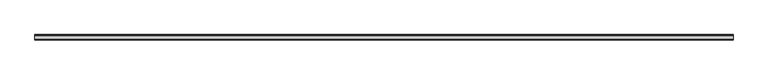
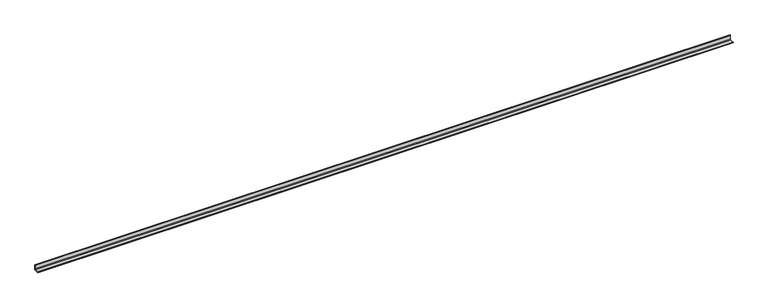
"""IFC4 building model written with IfcOpenShell, lengths in millimetres: beam geometry."""

from ifc_helpers import new_model, si_unit, point, frame, frame_2d, origin, place, context, project, spatial, polyline, circle_curve, trimmed, segment, composite_curve, outline, extrude, source, transform, mapped, element, save


def beam_a64bf650(model_context):
    return source(origin(), model_context, "Body", "SweptSolid", [
        extrude(outline(composite_curve([segment(polyline([(21.3, -21.3), (-53.7, -21.3), (-53.7, -18.3)]), True, "CONTINUOUS"), segment(trimmed(circle_curve(frame_2d((-48.7, -18.3)), 5.0), [point((-53.7, -18.3))], [point((-48.7, -13.3))], False, "CARTESIAN"), True, "CONTINUOUS"), segment(polyline([(-48.7, -13.3), (5.3, -13.3)]), True, "CONTINUOUS"), segment(trimmed(circle_curve(frame_2d((5.3, -5.3)), 8.0), [point((5.3, -13.3))], [point((13.3, -5.3))], True, "CARTESIAN"), True, "CONTINUOUS"), segment(polyline([(13.3, -5.3), (13.3, 48.7)]), True, "CONTINUOUS"), segment(trimmed(circle_curve(frame_2d((18.3, 48.7)), 5.0), [point((13.3, 48.7))], [point((18.3, 53.7))], False, "CARTESIAN"), True, "CONTINUOUS"), segment(polyline([(18.3, 53.7), (21.3, 53.7), (21.3, -21.3)]), True, "CONTINUOUS")], self_intersect=False)), frame((-4947.0, 0.0, 0.0), z_axis=(1.0, 0.0, 0.0), x_axis=(0.0, 1.0, 0.0)), (0.0, 0.0, 1.0), 9892.0),
    ])


if __name__ == "__main__":
    model = new_model("IFC4")
    model_context = context("Model", 3, world=origin())
    ifc_project = project(units=[si_unit("LENGTHUNIT", "METRE", prefix="MILLI")], contexts=[model_context])
    site = spatial("IfcSite", under=ifc_project)
    building = spatial("IfcBuilding", under=site)
    placement = place(None, origin())
    beam_shape = beam_a64bf650(model_context)
    element("IfcBeam", 1, at=placement, inside=building, context=model_context, shape_type="MappedRepresentation", body=[
        mapped(beam_shape, transform((0.0, 0.0, 0.0), x_axis=(1.0, 0.0, 0.0), y_axis=(0.0, 1.0, 0.0), z_axis=(0.0, 0.0, 1.0))),
    ])
    save(model, "model.ifc")
